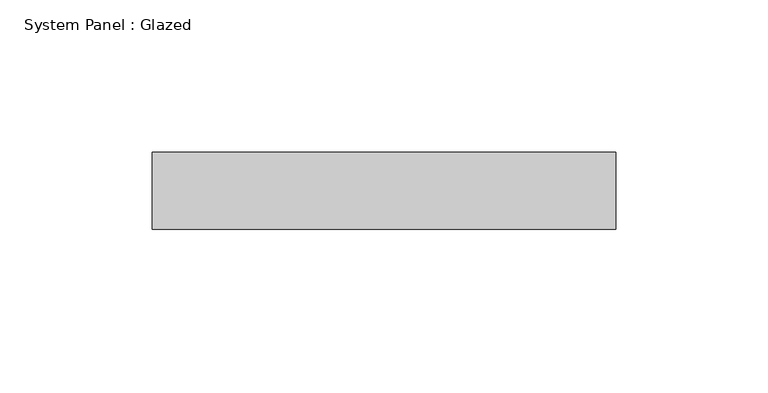
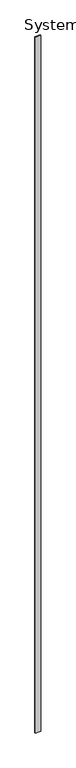
"""IFC4 building model written with IfcOpenShell, lengths in millimetres: plate geometry, System Panel : Glazed."""

from ifc_helpers import new_model, si_unit, origin, origin_with_axes, place, context, project, spatial, polyline, outline, extrude, source, transform, mapped, element, save


def system_panel_glazed_3be5933e(model_context):
    return source(origin(), model_context, "Body", "SweptSolid", [
        extrude(outline(polyline([(76.2, 19.05), (-76.2, 19.05), (-76.2, 44.45), (76.2, 44.45), (76.2, 19.05)])), origin_with_axes(), (0.0, 0.0, 1.0), 21336.0),
    ])


if __name__ == "__main__":
    model = new_model("IFC4")
    model_context = context("Model", 3, world=origin())
    ifc_project = project(units=[si_unit("LENGTHUNIT", "METRE", prefix="MILLI")], contexts=[model_context])
    site = spatial("IfcSite", under=ifc_project)
    building = spatial("IfcBuilding", under=site)
    placement = place(None, origin())
    system_panel_glazed_shape = system_panel_glazed_3be5933e(model_context)
    element("IfcPlate", 1, ObjectType="System Panel : Glazed", at=placement, inside=building, context=model_context, shape_type="MappedRepresentation", body=[
        mapped(system_panel_glazed_shape, transform((0.0, 0.0, 0.0), x_axis=(1.0, 0.0, 0.0), y_axis=(0.0, 1.0, 0.0), z_axis=(0.0, 0.0, 1.0))),
    ])
    save(model, "model.ifc")
